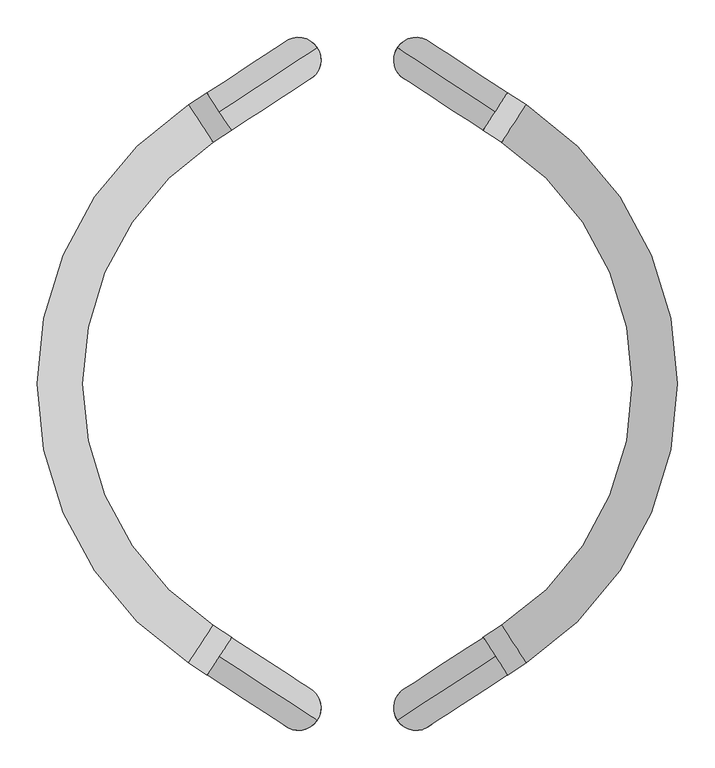
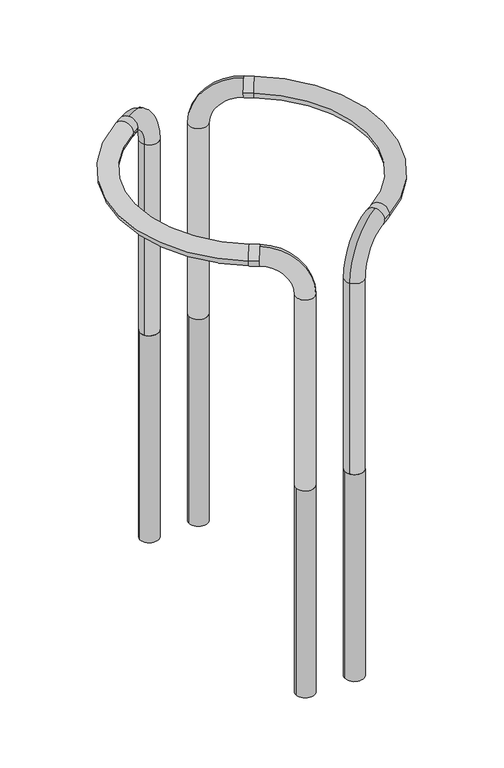
"""IFC4 building model written with IfcOpenShell, lengths in millimetres: furniture geometry."""

from ifc_helpers import new_model, si_unit, point, frame, frame_2d, origin, place, context, project, spatial, circle_curve, ellipse_curve, trimmed, segment, composite_curve, outline, extrude, source, transform, mapped, element, save
from ifc_brep_helpers import plane_surface, cylinder_surface, revolved_surface, advanced_brep


def furniture_5987e1b3(model_context):
    return source(origin(), model_context, "Body", "SolidModel", [
        advanced_brep(
        [(-53.6007166, 444.3097114, 0.0), (-103.8558328, 411.5313147, 0.0), (-103.8558328, 411.5313147, 645.0), (-53.6007166, 444.3097114, 645.0), (-184.5364227, 358.9082072, 741.3252252), (-200.925621, 384.0357653, 771.3252252), (-184.5364227, 358.9082072, 801.3252252), (-168.1472243, 333.7806491, 771.3252252), (-200.925621, -393.6806901, 771.3252252), (-225.6600476, -377.5479078, 771.3252252), (-192.8816509, -327.2927916, 771.3252252), (-168.1472243, -343.4255739, 771.3252252), (-184.5364227, -368.553132, 741.3252252), (-184.5364227, -368.553132, 801.3252252), (-225.6600476, 367.9029831, 771.3252252), (-192.8816509, 317.6478668, 771.3252252), (-53.6007166, -453.9546361, 0.0), (-103.8558328, -421.1762394, 0.0), (-103.8558328, -421.1762394, 645.0), (-53.6007166, -453.9546361, 645.0)],
        [
            (0, 1, circle_curve(frame((-78.7282747, 427.920513, 0.0), z_axis=(0.0, 0.0, -1.0), x_axis=(-0.8375852706601747, -0.5463066120532699, 0.0)), 30.0)),
            (1, 0, circle_curve(frame((-78.7282747, 427.920513, 0.0), z_axis=(0.0, 0.0, -1.0), x_axis=(-0.8375852706601747, -0.5463066120532699, 0.0)), 30.0)),
            (1, 2),
            (2, 3, circle_curve(frame((-78.7282747, 427.920513, 645.0), z_axis=(0.0, 0.0, -1.0), x_axis=(-0.8375852706601747, -0.5463066120532699, 0.0)), 30.0)),
            (3, 0),
            (3, 2, circle_curve(frame((-78.7282747, 427.920513, 645.0), z_axis=(0.0, 0.0, -1.0), x_axis=(-0.8375852706601747, -0.5463066120532699, 0.0)), 30.0)),
            (2, 4, circle_curve(frame((-184.5364227, 358.9082072, 645.0), z_axis=(0.5463066120532699, -0.8375852706601747, 0.0), x_axis=(0.8375852706601747, 0.5463066120532699, 0.0)), 96.3252252)),
            (4, 5, circle_curve(frame((-184.5364227, 358.9082072, 771.3252252), z_axis=(0.8375852706601747, 0.5463066120532699, 0.0), x_axis=(0.0, 0.0, -1.0000000000000002)), 30.0)),
            (5, 6, circle_curve(frame((-184.5364227, 358.9082072, 771.3252252), z_axis=(0.8375852706601747, 0.5463066120532699, 0.0), x_axis=(0.0, 0.0, -1.0000000000000002)), 30.0)),
            (6, 3, circle_curve(frame((-184.5364227, 358.9082072, 645.0), z_axis=(-0.5463066120532699, 0.8375852706601747, 0.0), x_axis=(0.8375852706601747, 0.5463066120532699, 0.0)), 156.3252252)),
            (6, 7, circle_curve(frame((-184.5364227, 358.9082072, 771.3252252), z_axis=(0.8375852706601747, 0.5463066120532699, 0.0), x_axis=(0.0, 0.0, -1.0000000000000002)), 30.0)),
            (7, 4, circle_curve(frame((-184.5364227, 358.9082072, 771.3252252), z_axis=(0.8375852706601747, 0.5463066120532699, 0.0), x_axis=(0.0, 0.0, -1.0000000000000002)), 30.0)),
            (8, 9),
            (9, 10, circle_curve(frame((-209.2708493, -352.4203497, 771.3252252), z_axis=(0.8375852706601794, -0.5463066120532626, 0.0), x_axis=(-0.5463066120532626, -0.8375852706601794, 0.0)), 30.0)),
            (10, 11),
            (11, 12, circle_curve(frame((-184.5364227, -368.553132, 771.3252252), z_axis=(-0.8375852706601794, 0.5463066120532626, 0.0), x_axis=(-0.5463066120532626, -0.8375852706601794, 0.0)), 30.0)),
            (12, 8, circle_curve(frame((-184.5364227, -368.553132, 771.3252252), z_axis=(-0.8375852706601794, 0.5463066120532626, 0.0), x_axis=(-0.5463066120532626, -0.8375852706601794, 0.0)), 30.0)),
            (8, 13, circle_curve(frame((-184.5364227, -368.553132, 771.3252252), z_axis=(-0.8375852706601794, 0.5463066120532626, 0.0), x_axis=(-0.5463066120532626, -0.8375852706601794, 0.0)), 30.0)),
            (13, 11, circle_curve(frame((-184.5364227, -368.553132, 771.3252252), z_axis=(-0.8375852706601794, 0.5463066120532626, 0.0), x_axis=(-0.5463066120532626, -0.8375852706601794, 0.0)), 30.0)),
            (10, 9, circle_curve(frame((-209.2708493, -352.4203497, 771.3252252), z_axis=(0.8375852706601794, -0.5463066120532626, 0.0), x_axis=(-0.5463066120532626, -0.8375852706601794, 0.0)), 30.0)),
            (9, 14, circle_curve(frame((17.4463947, -4.8224624, 771.3252252), z_axis=(0.0, 0.0, -1.0), x_axis=(-0.5463066120532631, -0.837585270660179, 0.0)), 445.0)),
            (14, 15, circle_curve(frame((-209.2708493, 342.7754249, 771.3252252), z_axis=(-0.8375852706601785, -0.5463066120532638, 0.0), x_axis=(-0.5463066120532638, 0.8375852706601785, 0.0)), 30.0)),
            (15, 10, circle_curve(frame((17.4463947, -4.8224624, 771.3252252), z_axis=(0.0, 0.0, 1.0), x_axis=(-0.5463066120532631, -0.837585270660179, 0.0)), 385.0)),
            (15, 14, circle_curve(frame((-209.2708493, 342.7754249, 771.3252252), z_axis=(-0.837585270660179, -0.5463066120532631, 0.0), x_axis=(-0.5463066120532631, 0.837585270660179, 0.0)), 30.0)),
            (14, 5),
            (7, 15),
            (16, 17, circle_curve(frame((-78.7282747, -437.5654378, 0.0), z_axis=(0.0, 0.0, -1.0), x_axis=(-0.8375852706601776, 0.5463066120532655, 0.0)), 30.0)),
            (17, 16, circle_curve(frame((-78.7282747, -437.5654378, 0.0), z_axis=(0.0, 0.0, -1.0), x_axis=(-0.8375852706601776, 0.5463066120532655, 0.0)), 30.0)),
            (17, 18),
            (18, 19, circle_curve(frame((-78.7282747, -437.5654378, 645.0), z_axis=(0.0, 0.0, -1.0), x_axis=(-0.8375852706601776, 0.5463066120532655, 0.0)), 30.0)),
            (19, 16),
            (19, 18, circle_curve(frame((-78.7282747, -437.5654378, 645.0), z_axis=(0.0, 0.0, -1.0), x_axis=(-0.8375852706601776, 0.5463066120532655, 0.0)), 30.0)),
            (18, 12, circle_curve(frame((-184.5364227, -368.553132, 645.0), z_axis=(-0.5463066120532655, -0.8375852706601776, 0.0), x_axis=(0.8375852706601776, -0.5463066120532655, 0.0)), 96.3252252)),
            (13, 19, circle_curve(frame((-184.5364227, -368.553132, 645.0), z_axis=(0.5463066120532655, 0.8375852706601776, 0.0), x_axis=(0.8375852706601776, -0.5463066120532655, 0.0)), 156.3252252)),
        ],
        [
            plane_surface(frame((42.9898741, 293.793354, 0.0), z_axis=(0.0, 0.0, -1.0000000000000002), x_axis=(0.5463066120532699, -0.8375852706601747, 0.0))),
            cylinder_surface(frame((-78.7282747, 427.920513, 0.0), z_axis=(0.0, 0.0, -1.0000000000000002), x_axis=(-0.8375852706601747, -0.5463066120532699, 0.0)), 30.0),
            revolved_surface(trimmed(ellipse_curve(frame((-78.7282747, 427.920513, 645.0), z_axis=(0.0, 0.0, -1.0000000000000002), x_axis=(-0.8375852706601747, -0.5463066120532699, 0.0)), 30.0, 30.0), [point((-103.8558328, 411.5313147, 645.0))], [point((-53.6007166, 444.3097114, 645.0))], True, "CARTESIAN"), (-86.8358428, 209.1158291, 645.0), (0.5463066120532699, -0.8375852706601747, 0.0)),
            revolved_surface(trimmed(ellipse_curve(frame((-78.7282747, 427.920513, 645.0), z_axis=(0.0, 0.0, -1.0000000000000002), x_axis=(-0.8375852706601747, -0.5463066120532699, 0.0)), 30.0, 30.0), [point((-53.6007166, 444.3097114, 645.0))], [point((-103.8558328, 411.5313147, 645.0))], True, "CARTESIAN"), (-86.8358428, 209.1158291, 645.0), (0.5463066120532699, -0.8375852706601747, 0.0)),
            cylinder_surface(frame((-184.5364227, -368.553132, 771.3252252), z_axis=(0.8375852706601794, -0.5463066120532626, 0.0), x_axis=(-0.5463066120532626, -0.8375852706601794, 0.0)), 30.0),
            revolved_surface(trimmed(ellipse_curve(frame((-209.2708493, -352.4203497, 771.3252252), z_axis=(0.8375852706601788, -0.5463066120532633, 0.0), x_axis=(-0.5463066120532633, -0.8375852706601788, 0.0)), 30.0, 30.0), [point((-225.6600476, -377.5479078, 771.3252252))], [point((-192.8816509, -327.2927916, 771.3252252))], True, "CARTESIAN"), (17.4463947, -4.8224624, 0.0), (0.0, 0.0, -1.0)),
            revolved_surface(trimmed(ellipse_curve(frame((-209.2708493, -352.4203497, 771.3252252), z_axis=(0.8375852706601788, -0.5463066120532633, 0.0), x_axis=(-0.5463066120532633, -0.8375852706601788, 0.0)), 30.0, 30.0), [point((-192.8816509, -327.2927916, 771.3252252))], [point((-225.6600476, -377.5479078, 771.3252252))], True, "CARTESIAN"), (17.4463947, -4.8224624, 0.0), (0.0, 0.0, -1.0)),
            cylinder_surface(frame((-209.2708493, 342.7754249, 771.3252252), z_axis=(-0.8375852706601752, -0.546306612053269, 0.0), x_axis=(-0.546306612053269, 0.8375852706601752, 0.0)), 30.0),
            plane_surface(frame((170.6765469, -107.671883, 0.0), z_axis=(0.0, 0.0, -1.0), x_axis=(-0.5463066120532655, -0.8375852706601776, 0.0))),
            cylinder_surface(frame((-78.7282747, -437.5654378, 0.0), z_axis=(0.0, 0.0, -1.0), x_axis=(-0.8375852706601776, 0.5463066120532655, 0.0)), 30.0),
            revolved_surface(trimmed(ellipse_curve(frame((-78.7282747, -437.5654378, 645.0), z_axis=(0.0, 0.0, -1.0), x_axis=(-0.8375852706601776, 0.5463066120532655, 0.0)), 30.0, 30.0), [point((-103.8558328, -421.1762394, 645.0))], [point((-53.6007166, -453.9546361, 645.0))], True, "CARTESIAN"), (40.85083, -22.9943581, 645.0), (-0.5463066120532655, -0.8375852706601776, 0.0)),
            revolved_surface(trimmed(ellipse_curve(frame((-78.7282747, -437.5654378, 645.0), z_axis=(0.0, 0.0, -1.0), x_axis=(-0.8375852706601776, 0.5463066120532655, 0.0)), 30.0, 30.0), [point((-53.6007166, -453.9546361, 645.0))], [point((-103.8558328, -421.1762394, 645.0))], True, "CARTESIAN"), (40.85083, -22.9943581, 645.0), (-0.5463066120532655, -0.8375852706601776, 0.0)),
        ],
        [
            (0, [[1, 2]]),
            (1, [[-2, 3, 4, 5]]),
            (1, [[-1, -5, 6, -3]]),
            (2, [[-4, 7, 8, 9, 10]]),
            (3, [[-6, -10, 11, 12, -7]]),
            (4, [[13, 14, 15, 16, 17]]),
            (4, [[-13, 18, 19, -15, 20]]),
            (5, [[-14, 21, 22, 23]]),
            (6, [[-20, -23, 24, -21]]),
            (7, [[-22, 25, -8, -12, 26]]),
            (7, [[-24, -26, -11, -9, -25]]),
            (8, [[27, 28]]),
            (9, [[-28, 29, 30, 31]]),
            (9, [[-27, -31, 32, -29]]),
            (10, [[-30, 33, -16, -19, 34]]),
            (11, [[-32, -34, -18, -17, -33]]),
        ],
    ),
        advanced_brep(
        [(53.6007166, -453.9546361, 0.0), (103.8558328, -421.1762394, 0.0), (53.6007166, -453.9546361, 645.0), (103.8558328, -421.1762394, 645.0), (184.5364227, -368.553132, 801.3252252), (168.1472243, -343.4255739, 771.3252252), (184.5364227, -368.553132, 741.3252252), (200.925621, -393.6806901, 771.3252252), (192.8816509, -327.2927916, 771.3252252), (225.6600476, -377.5479078, 771.3252252), (192.8816509, 317.6478668, 771.3252252), (225.6600476, 367.9029831, 771.3252252), (168.1472243, 333.7806491, 771.3252252), (184.5364227, 358.9082072, 741.3252252), (200.925621, 384.0357653, 771.3252252), (184.5364227, 358.9082072, 801.3252252), (53.6007166, 444.3097114, 0.0), (103.8558328, 411.5313147, 0.0), (53.6007166, 444.3097114, 645.0), (103.8558328, 411.5313147, 645.0)],
        [
            (0, 1, circle_curve(frame((78.7282747, -437.5654378, 0.0), z_axis=(0.0, 0.0, -1.0), x_axis=(0.8375852706601776, 0.5463066120532655, 0.0)), 30.0)),
            (1, 0, circle_curve(frame((78.7282747, -437.5654378, 0.0), z_axis=(0.0, 0.0, -1.0), x_axis=(0.8375852706601776, 0.5463066120532655, 0.0)), 30.0)),
            (0, 2),
            (2, 3, circle_curve(frame((78.7282747, -437.5654378, 645.0), z_axis=(0.0, 0.0, -1.0), x_axis=(0.8375852706601776, 0.5463066120532655, 0.0)), 30.0)),
            (3, 1),
            (3, 2, circle_curve(frame((78.7282747, -437.5654378, 645.0), z_axis=(0.0, 0.0, -1.0), x_axis=(0.8375852706601776, 0.5463066120532655, 0.0)), 30.0)),
            (2, 4, circle_curve(frame((184.5364227, -368.553132, 645.0), z_axis=(-0.5463066120532655, 0.8375852706601776, 0.0), x_axis=(-0.8375852706601776, -0.5463066120532655, 0.0)), 156.3252252)),
            (4, 5, circle_curve(frame((184.5364227, -368.553132, 771.3252252), z_axis=(-0.8375852706601776, -0.5463066120532655, 0.0), x_axis=(0.0, 0.0, -1.0)), 30.0)),
            (5, 6, circle_curve(frame((184.5364227, -368.553132, 771.3252252), z_axis=(-0.8375852706601776, -0.5463066120532655, 0.0), x_axis=(0.0, 0.0, -1.0)), 30.0)),
            (6, 3, circle_curve(frame((184.5364227, -368.553132, 645.0), z_axis=(0.5463066120532655, -0.8375852706601776, 0.0), x_axis=(-0.8375852706601776, -0.5463066120532655, 0.0)), 96.3252252)),
            (6, 7, circle_curve(frame((184.5364227, -368.553132, 771.3252252), z_axis=(-0.8375852706601776, -0.5463066120532655, 0.0), x_axis=(0.0, 0.0, -1.0)), 30.0)),
            (7, 4, circle_curve(frame((184.5364227, -368.553132, 771.3252252), z_axis=(-0.8375852706601776, -0.5463066120532655, 0.0), x_axis=(0.0, 0.0, -1.0)), 30.0)),
            (5, 8),
            (8, 9, circle_curve(frame((209.2708493, -352.4203497, 771.3252252), z_axis=(-0.8375852706601794, -0.5463066120532626, 0.0), x_axis=(0.5463066120532626, -0.8375852706601794, 0.0)), 30.0)),
            (9, 7),
            (9, 8, circle_curve(frame((209.2708493, -352.4203497, 771.3252252), z_axis=(-0.8375852706601794, -0.5463066120532626, 0.0), x_axis=(0.5463066120532626, -0.8375852706601794, 0.0)), 30.0)),
            (8, 10, circle_curve(frame((-17.4463947, -4.8224624, 771.3252252), z_axis=(0.0, 0.0, 1.0), x_axis=(0.5463066120532631, -0.837585270660179, 0.0)), 385.0)),
            (10, 11, circle_curve(frame((209.2708493, 342.7754249, 771.3252252), z_axis=(0.837585270660179, -0.5463066120532631, 0.0), x_axis=(0.5463066120532631, 0.837585270660179, 0.0)), 30.0)),
            (11, 9, circle_curve(frame((-17.4463947, -4.8224624, 771.3252252), z_axis=(0.0, 0.0, -1.0), x_axis=(0.5463066120532631, -0.837585270660179, 0.0)), 445.0)),
            (11, 10, circle_curve(frame((209.2708493, 342.7754249, 771.3252252), z_axis=(0.8375852706601783, -0.546306612053264, 0.0), x_axis=(0.546306612053264, 0.8375852706601783, 0.0)), 30.0)),
            (10, 12),
            (12, 13, circle_curve(frame((184.5364227, 358.9082072, 771.3252252), z_axis=(0.8375852706601754, -0.5463066120532691, 0.0), x_axis=(0.546306612053269, 0.8375852706601752, 0.0)), 30.0)),
            (13, 14, circle_curve(frame((184.5364227, 358.9082072, 771.3252252), z_axis=(0.8375852706601754, -0.5463066120532691, 0.0), x_axis=(0.546306612053269, 0.8375852706601752, 0.0)), 30.0)),
            (14, 11),
            (14, 15, circle_curve(frame((184.5364227, 358.9082072, 771.3252252), z_axis=(0.8375852706601754, -0.5463066120532691, 0.0), x_axis=(0.546306612053269, 0.8375852706601752, 0.0)), 30.0)),
            (15, 12, circle_curve(frame((184.5364227, 358.9082072, 771.3252252), z_axis=(0.8375852706601754, -0.5463066120532691, 0.0), x_axis=(0.546306612053269, 0.8375852706601752, 0.0)), 30.0)),
            (16, 17, circle_curve(frame((78.7282747, 427.920513, 0.0), z_axis=(0.0, 0.0, -1.0), x_axis=(0.8375852706601747, -0.5463066120532699, 0.0)), 30.0)),
            (17, 16, circle_curve(frame((78.7282747, 427.920513, 0.0), z_axis=(0.0, 0.0, -1.0), x_axis=(0.8375852706601747, -0.5463066120532699, 0.0)), 30.0)),
            (16, 18),
            (18, 19, circle_curve(frame((78.7282747, 427.920513, 645.0), z_axis=(0.0, 0.0, -1.0), x_axis=(0.8375852706601747, -0.5463066120532699, 0.0)), 30.0)),
            (19, 17),
            (19, 18, circle_curve(frame((78.7282747, 427.920513, 645.0), z_axis=(0.0, 0.0, -1.0), x_axis=(0.8375852706601747, -0.5463066120532699, 0.0)), 30.0)),
            (18, 15, circle_curve(frame((184.5364227, 358.9082072, 645.0), z_axis=(0.5463066120532699, 0.8375852706601747, 0.0), x_axis=(-0.8375852706601747, 0.5463066120532699, 0.0)), 156.3252252)),
            (13, 19, circle_curve(frame((184.5364227, 358.9082072, 645.0), z_axis=(-0.5463066120532699, -0.8375852706601747, 0.0), x_axis=(-0.8375852706601747, 0.5463066120532699, 0.0)), 96.3252252)),
        ],
        [
            plane_surface(frame((-170.6765469, -107.671883, 0.0), z_axis=(0.0, 0.0, -1.0), x_axis=(0.5463066120532655, -0.8375852706601776, 0.0))),
            cylinder_surface(frame((78.7282747, -437.5654378, 0.0), z_axis=(0.0, 0.0, -1.0), x_axis=(0.8375852706601776, 0.5463066120532655, 0.0)), 30.0),
            revolved_surface(trimmed(ellipse_curve(frame((78.7282747, -437.5654378, 645.0), z_axis=(0.0, 0.0, -1.0), x_axis=(0.8375852706601776, 0.5463066120532655, 0.0)), 30.0, 30.0), [point((53.6007166, -453.9546361, 645.0))], [point((103.8558328, -421.1762394, 645.0))], True, "CARTESIAN"), (-40.85083, -22.9943581, 645.0), (-0.5463066120532655, 0.8375852706601776, 0.0)),
            revolved_surface(trimmed(ellipse_curve(frame((78.7282747, -437.5654378, 645.0), z_axis=(0.0, 0.0, -1.0), x_axis=(0.8375852706601776, 0.5463066120532655, 0.0)), 30.0, 30.0), [point((103.8558328, -421.1762394, 645.0))], [point((53.6007166, -453.9546361, 645.0))], True, "CARTESIAN"), (-40.85083, -22.9943581, 645.0), (-0.5463066120532655, 0.8375852706601776, 0.0)),
            cylinder_surface(frame((184.5364227, -368.553132, 771.3252252), z_axis=(-0.8375852706601794, -0.5463066120532626, 0.0), x_axis=(0.5463066120532626, -0.8375852706601794, 0.0)), 30.0),
            revolved_surface(trimmed(ellipse_curve(frame((209.2708493, -352.4203497, 771.3252252), z_axis=(-0.8375852706601788, -0.5463066120532633, 0.0), x_axis=(0.5463066120532633, -0.8375852706601788, 0.0)), 30.0, 30.0), [point((192.8816509, -327.2927916, 771.3252252))], [point((225.6600476, -377.5479078, 771.3252252))], True, "CARTESIAN"), (-17.4463947, -4.8224624, 0.0), (0.0, 0.0, 1.0)),
            revolved_surface(trimmed(ellipse_curve(frame((209.2708493, -352.4203497, 771.3252252), z_axis=(-0.8375852706601788, -0.5463066120532633, 0.0), x_axis=(0.5463066120532633, -0.8375852706601788, 0.0)), 30.0, 30.0), [point((225.6600476, -377.5479078, 771.3252252))], [point((192.8816509, -327.2927916, 771.3252252))], True, "CARTESIAN"), (-17.4463947, -4.8224624, 0.0), (0.0, 0.0, 1.0)),
            cylinder_surface(frame((209.2708493, 342.7754249, 771.3252252), z_axis=(0.8375852706601752, -0.546306612053269, 0.0), x_axis=(0.546306612053269, 0.8375852706601752, 0.0)), 30.0),
            plane_surface(frame((-42.9898741, 293.793354, 0.0), z_axis=(0.0, 0.0, -1.0000000000000002), x_axis=(-0.5463066120532699, -0.8375852706601747, 0.0))),
            cylinder_surface(frame((78.7282747, 427.920513, 0.0), z_axis=(0.0, 0.0, -1.0000000000000002), x_axis=(0.8375852706601747, -0.5463066120532699, 0.0)), 30.0),
            revolved_surface(trimmed(ellipse_curve(frame((78.7282747, 427.920513, 645.0), z_axis=(0.0, 0.0, -1.0000000000000002), x_axis=(0.8375852706601747, -0.5463066120532699, 0.0)), 30.0, 30.0), [point((53.6007166, 444.3097114, 645.0))], [point((103.8558328, 411.5313147, 645.0))], True, "CARTESIAN"), (86.8358428, 209.1158291, 645.0), (0.5463066120532699, 0.8375852706601747, 0.0)),
            revolved_surface(trimmed(ellipse_curve(frame((78.7282747, 427.920513, 645.0), z_axis=(0.0, 0.0, -1.0000000000000002), x_axis=(0.8375852706601747, -0.5463066120532699, 0.0)), 30.0, 30.0), [point((103.8558328, 411.5313147, 645.0))], [point((53.6007166, 444.3097114, 645.0))], True, "CARTESIAN"), (86.8358428, 209.1158291, 645.0), (0.5463066120532699, 0.8375852706601747, 0.0)),
        ],
        [
            (0, [[1, 2]]),
            (1, [[-1, 3, 4, 5]]),
            (1, [[-2, -5, 6, -3]]),
            (2, [[-4, 7, 8, 9, 10]]),
            (3, [[-6, -10, 11, 12, -7]]),
            (4, [[13, 14, 15, -11, -9]]),
            (4, [[-13, -8, -12, -15, 16]]),
            (5, [[-14, 17, 18, 19]]),
            (6, [[-16, -19, 20, -17]]),
            (7, [[-18, 21, 22, 23, 24]]),
            (7, [[-20, -24, 25, 26, -21]]),
            (8, [[27, 28]]),
            (9, [[-27, 29, 30, 31]]),
            (9, [[-28, -31, 32, -29]]),
            (10, [[-30, 33, -25, -23, 34]]),
            (11, [[-32, -34, -22, -26, -33]]),
        ],
    ),
        extrude(outline(composite_curve([segment(trimmed(circle_curve(frame_2d((78.7282747, -437.5654378)), 30.0), [point((48.7282747, -437.5654378))], [point((108.7282747, -437.5654378))], False, "CARTESIAN"), True, "CONTINUOUS"), segment(trimmed(circle_curve(frame_2d((78.7282747, -437.5654378)), 30.0), [point((108.7282747, -437.5654378))], [point((48.7282747, -437.5654378))], False, "CARTESIAN"), True, "CONTINUOUS")], self_intersect=False)), frame((0.0, 0.0, -700.0), z_axis=(0.0, 0.0, 1.0), x_axis=(1.0, 0.0, 0.0)), (0.0, 0.0, 1.0), 700.0),
        extrude(outline(composite_curve([segment(trimmed(circle_curve(frame_2d((-78.7282747, -437.5654378)), 30.0), [point((-48.7282747, -437.5654378))], [point((-108.7282747, -437.5654378))], False, "CARTESIAN"), True, "CONTINUOUS"), segment(trimmed(circle_curve(frame_2d((-78.7282747, -437.5654378)), 30.0), [point((-108.7282747, -437.5654378))], [point((-48.7282747, -437.5654378))], False, "CARTESIAN"), True, "CONTINUOUS")], self_intersect=False)), frame((0.0, 0.0, -700.0), z_axis=(0.0, 0.0, 1.0), x_axis=(1.0, 0.0, 0.0)), (0.0, 0.0, 1.0), 700.0),
        extrude(outline(composite_curve([segment(trimmed(circle_curve(frame_2d((78.7282747, 427.920513)), 30.0), [point((48.7282747, 427.920513))], [point((108.7282747, 427.920513))], False, "CARTESIAN"), True, "CONTINUOUS"), segment(trimmed(circle_curve(frame_2d((78.7282747, 427.920513)), 30.0), [point((108.7282747, 427.920513))], [point((48.7282747, 427.920513))], False, "CARTESIAN"), True, "CONTINUOUS")], self_intersect=False)), frame((0.0, 0.0, -700.0), z_axis=(0.0, 0.0, 1.0), x_axis=(1.0, 0.0, 0.0)), (0.0, 0.0, 1.0), 700.0),
        extrude(outline(composite_curve([segment(trimmed(circle_curve(frame_2d((-78.7282747, 427.920513)), 30.0), [point((-48.7282747, 427.920513))], [point((-108.7282747, 427.920513))], False, "CARTESIAN"), True, "CONTINUOUS"), segment(trimmed(circle_curve(frame_2d((-78.7282747, 427.920513)), 30.0), [point((-108.7282747, 427.920513))], [point((-48.7282747, 427.920513))], False, "CARTESIAN"), True, "CONTINUOUS")], self_intersect=False)), frame((0.0, 0.0, -700.0), z_axis=(0.0, 0.0, 1.0), x_axis=(1.0, 0.0, 0.0)), (0.0, 0.0, 1.0), 700.0),
    ])


if __name__ == "__main__":
    model = new_model("IFC4")
    model_context = context("Model", 3, world=origin())
    ifc_project = project(units=[si_unit("LENGTHUNIT", "METRE", prefix="MILLI")], contexts=[model_context])
    site = spatial("IfcSite", under=ifc_project)
    building = spatial("IfcBuilding", under=site)
    placement = place(None, origin())
    furniture_shape = furniture_5987e1b3(model_context)
    element("IfcFurniture", 1, at=placement, inside=building, context=model_context, shape_type="MappedRepresentation", body=[
        mapped(furniture_shape, transform((0.0, 0.0, 0.0), x_axis=(1.0, 0.0, 0.0), y_axis=(0.0, 1.0, 0.0), z_axis=(0.0, 0.0, 1.0))),
    ])
    save(model, "model.ifc")
